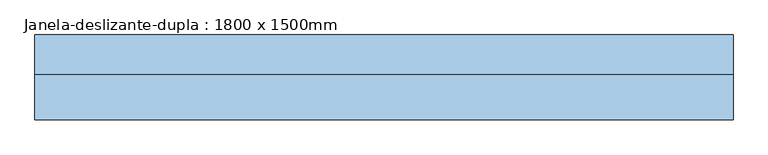
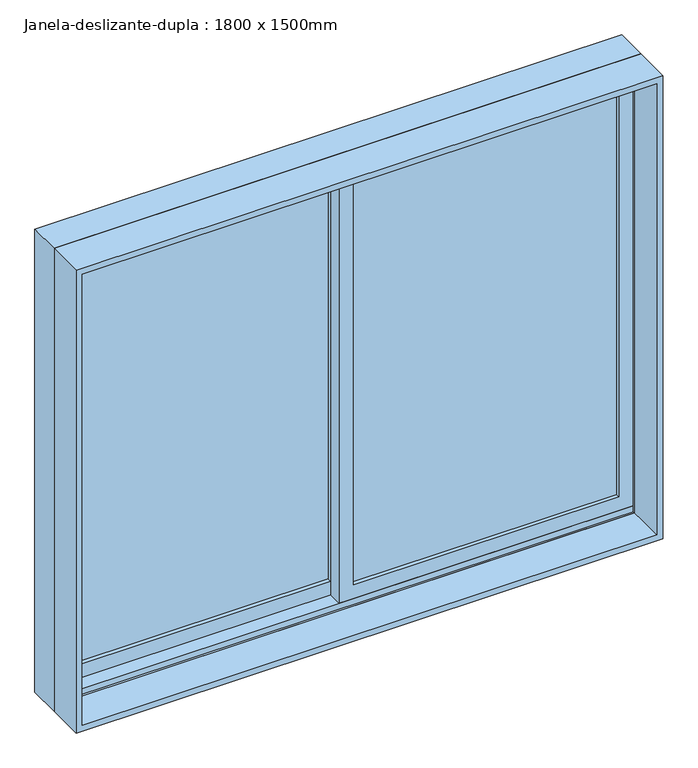
"""IFC4 building model written with IfcOpenShell, lengths in millimetres: window geometry, Janela-deslizante-dupla : 1800 x 1500mm."""

from ifc_helpers import new_model, si_unit, frame, origin, place, context, project, spatial, polyline, outline, extrude, faceted_brep, source, transform, mapped, element, save


def janela_deslizante_dupla_1800_x_1500mm_e7d6e729(model_context):
    return source(origin(), model_context, "Body", "SolidModel", [
        faceted_brep([(-900.0, 13.64, 900.0), (-900.0, 115.24, 900.0), (900.0, 115.24, 900.0), (900.0, 13.64, 900.0), (-859.0778905, 115.24, 2359.0778905), (-859.0778905, 108.89, 2359.0778905), (-859.0778905, 108.89, 919.05), (-859.0778905, 115.24, 919.05), (859.0778905, 108.89, 2359.0778905), (859.0778905, 108.89, 919.05), (880.95, 108.89, 919.05), (880.95, 108.89, 2380.95), (-880.95, 108.89, 2380.95), (-880.95, 108.89, 919.05), (-880.95, 13.64, 2380.95), (-880.95, 13.64, 919.05), (-880.95, 19.99, 919.05), (-880.95, 19.99, 938.1), (-880.95, 64.44, 938.1), (-880.95, 64.44, 919.05), (900.0, 13.64, 2400.0), (-900.0, 13.64, 2400.0), (880.95, 13.64, 2380.95), (880.95, 13.64, 919.05), (-900.0, 115.24, 2400.0), (900.0, 115.24, 2400.0), (859.0778905, 115.24, 919.05), (859.0778905, 115.24, 2359.0778905), (880.95, 64.44, 919.05), (880.95, 64.44, 938.1), (880.95, 19.99, 938.1), (880.95, 19.99, 919.05)], [[[0, 1, 2, 3]], [[4, 5, 6, 7]], [[5, 8, 9, 10, 11, 12, 13, 6]], [[12, 14, 15, 16, 17, 18, 19, 13]], [[0, 3, 20, 21], [22, 23, 15, 14]], [[24, 1, 0, 21]], [[2, 1, 24, 25], [4, 7, 26, 27]], [[5, 4, 27, 8]], [[12, 11, 22, 14]], [[21, 20, 25, 24]], [[8, 27, 26, 9]], [[22, 11, 10, 28, 29, 30, 31, 23]], [[20, 3, 2, 25]], [[26, 7, 6, 13, 19, 28, 10, 9]], [[28, 19, 18, 29]], [[29, 18, 17, 30]], [[30, 17, 16, 31]], [[15, 23, 31, 16]]]),
        extrude(outline(polyline([(2400.0, -900.0), (900.0, -900.0), (900.0, 900.0), (2400.0, 900.0), (2400.0, -900.0)]), holes=[polyline([(2380.95, 880.95), (919.05, 880.95), (919.05, -880.95), (2380.95, -880.95), (2380.95, 880.95)])]), frame((0.0, -103.81, 0.0), z_axis=(0.0, 1.0, 0.0), x_axis=(0.0, 0.0, 1.0)), (0.0, 0.0, 1.0), 117.45),
        extrude(outline(polyline([(836.5, 51.74), (836.5, 45.39), (22.225, 45.39), (22.225, 51.74), (836.5, 51.74)])), frame((0.0, 0.0, 982.55), z_axis=(0.0, 0.0, 1.0), x_axis=(1.0, 0.0, 0.0)), (0.0, 0.0, 1.0), 1353.95),
        extrude(outline(polyline([(836.5, 39.04), (836.5, 32.69), (22.225, 32.69), (22.225, 39.04), (836.5, 39.04)])), frame((0.0, 0.0, 982.55), z_axis=(0.0, 0.0, 1.0), x_axis=(1.0, 0.0, 0.0)), (0.0, 0.0, 1.0), 1353.95),
        extrude(outline(polyline([(-22.225, 96.19), (-22.225, 89.84), (-836.5, 89.84), (-836.5, 96.19), (-22.225, 96.19)])), frame((0.0, 0.0, 982.55), z_axis=(0.0, 0.0, 1.0), x_axis=(1.0, 0.0, 0.0)), (0.0, 0.0, 1.0), 1353.95),
        extrude(outline(polyline([(-22.225, 83.49), (-22.225, 77.14), (-836.5, 77.14), (-836.5, 83.49), (-22.225, 83.49)])), frame((0.0, 0.0, 982.55), z_axis=(0.0, 0.0, 1.0), x_axis=(1.0, 0.0, 0.0)), (0.0, 0.0, 1.0), 1353.95),
        extrude(outline(polyline([(919.05, -880.95), (919.05, 22.225), (2380.95, 22.225), (2380.95, -880.95), (919.05, -880.95)]), holes=[polyline([(2336.5, -22.225), (982.55, -22.225), (982.55, -836.5), (2336.5, -836.5), (2336.5, -22.225)])]), frame((0.0, 64.44, 0.0), z_axis=(0.0, 1.0, 0.0), x_axis=(0.0, 0.0, 1.0)), (0.0, 0.0, 1.0), 44.45),
        extrude(outline(polyline([(938.1, 880.95), (2380.95, 880.95), (2380.95, -22.225), (938.1, -22.225), (938.1, 880.95)]), holes=[polyline([(982.55, 22.225), (2336.5, 22.225), (2336.5, 836.5), (982.55, 836.5), (982.55, 22.225)])]), frame((0.0, 19.99, 0.0), z_axis=(0.0, 1.0, 0.0), x_axis=(0.0, 0.0, 1.0)), (0.0, 0.0, 1.0), 44.45),
    ])


if __name__ == "__main__":
    model = new_model("IFC4")
    model_context = context("Model", 3, world=origin())
    ifc_project = project(units=[si_unit("LENGTHUNIT", "METRE", prefix="MILLI")], contexts=[model_context])
    site = spatial("IfcSite", under=ifc_project)
    building = spatial("IfcBuilding", under=site)
    placement = place(None, origin())
    janela_deslizante_dupla_1800_x_1500mm_shape = janela_deslizante_dupla_1800_x_1500mm_e7d6e729(model_context)
    element("IfcWindow", 1, ObjectType="Janela-deslizante-dupla : 1800 x 1500mm", at=placement, inside=building, context=model_context, shape_type="MappedRepresentation", body=[
        mapped(janela_deslizante_dupla_1800_x_1500mm_shape, transform((0.0, 0.0, 0.0), x_axis=(1.0, 0.0, 0.0), y_axis=(0.0, 1.0, 0.0), z_axis=(0.0, 0.0, 1.0))),
    ])
    save(model, "model.ifc")
